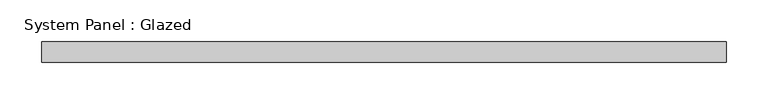
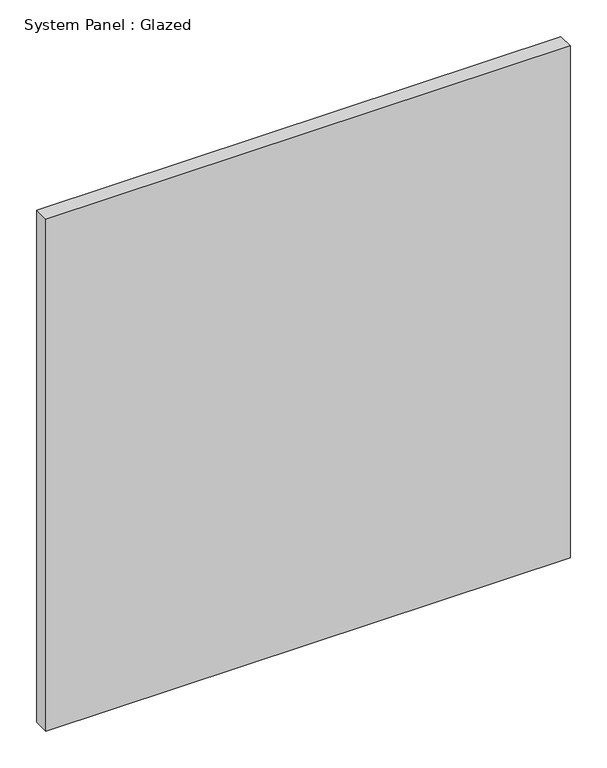
"""IFC4 building model written with IfcOpenShell, lengths in millimetres: plate geometry, System Panel : Glazed."""

from ifc_helpers import new_model, si_unit, origin, origin_with_axes, place, context, project, spatial, polyline, outline, extrude, source, transform, mapped, element, save


def system_panel_glazed_ad6b2d3a(model_context):
    return source(origin(), model_context, "Body", "SweptSolid", [
        extrude(outline(polyline([(412.5, 24.5), (-412.5, 24.5), (-412.5, 49.5), (412.5, 49.5), (412.5, 24.5)])), origin_with_axes(), (0.0, 0.0, 1.0), 851.6666667),
    ])


if __name__ == "__main__":
    model = new_model("IFC4")
    model_context = context("Model", 3, world=origin())
    ifc_project = project(units=[si_unit("LENGTHUNIT", "METRE", prefix="MILLI")], contexts=[model_context])
    site = spatial("IfcSite", under=ifc_project)
    building = spatial("IfcBuilding", under=site)
    placement = place(None, origin())
    system_panel_glazed_shape = system_panel_glazed_ad6b2d3a(model_context)
    element("IfcPlate", 1, ObjectType="System Panel : Glazed", at=placement, inside=building, context=model_context, shape_type="MappedRepresentation", body=[
        mapped(system_panel_glazed_shape, transform((0.0, 0.0, 0.0), x_axis=(1.0, 0.0, 0.0), y_axis=(0.0, 1.0, 0.0), z_axis=(0.0, 0.0, 1.0))),
    ])
    save(model, "model.ifc")
